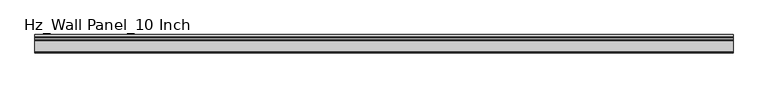
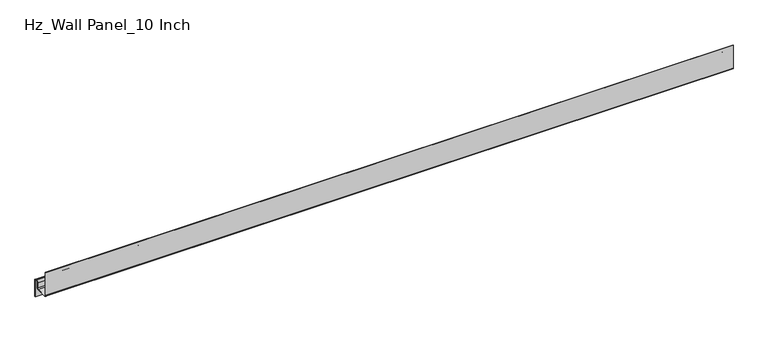
"""IFC4 building model written with IfcOpenShell, lengths in millimetres: plate geometry, Hz_Wall Panel_10 Inch."""

from ifc_helpers import new_model, si_unit, point, frame, frame_2d, origin, place, context, project, spatial, polyline, circle_curve, trimmed, segment, composite_curve, outline, extrude, source, transform, mapped, element, save


def hz_wall_panel_10_inch_99d810cd(model_context):
    return source(origin(), model_context, "Body", "SweptSolid", [
        extrude(outline(composite_curve([segment(trimmed(circle_curve(frame_2d((-34.7869903, 3.2130097)), 3.2130097), [point((-34.7869903, 0.0))], [point((-38.0, 3.2130097))], False, "CARTESIAN"), True, "CONTINUOUS"), segment(polyline([(-38.0, 3.2130097), (-38.0, 54.1506084), (-37.2194589, 54.1506084), (-37.2194589, 3.2130097)]), True, "CONTINUOUS"), segment(trimmed(circle_curve(frame_2d((-34.7869903, 3.2130097)), 2.4324686), [point((-37.2194589, 3.2130097))], [point((-34.7869903, 0.7805411))], True, "CARTESIAN"), True, "CONTINUOUS"), segment(polyline([(-34.7869903, 0.7805411), (-12.0917985, 0.7805411)]), True, "CONTINUOUS"), segment(trimmed(circle_curve(frame_2d((-12.0917985, 3.0977725)), 2.3172314), [point((-12.0917985, 0.7805411))], [point((-9.774567, 3.0977725))], True, "CARTESIAN"), True, "CONTINUOUS"), segment(polyline([(-9.774567, 3.0977725), (-9.774567, 14.3495019)]), True, "CONTINUOUS"), segment(trimmed(circle_curve(frame_2d((-5.8962534, 14.3495019)), 3.8783136), [point((-9.774567, 14.3495019))], [point((-5.8962534, 18.2278156))], False, "CARTESIAN"), True, "CONTINUOUS"), segment(polyline([(-5.8962534, 18.2278156), (-3.8033983, 18.2278156)]), True, "CONTINUOUS"), segment(trimmed(circle_curve(frame_2d((-3.8033983, 14.3495019)), 3.8783136), [point((-3.8033983, 18.2278156))], [point((0.0749154, 14.3495019))], False, "CARTESIAN"), True, "CONTINUOUS"), segment(polyline([(0.0749154, 14.3495019), (0.0749154, -21.9340882), (-0.7056258, -21.9340882), (-0.7056258, 14.3495019)]), True, "CONTINUOUS"), segment(trimmed(circle_curve(frame_2d((-3.8033983, 14.3495019)), 3.0977725), [point((-0.7056258, 14.3495019))], [point((-3.8033983, 17.4472744))], True, "CARTESIAN"), True, "CONTINUOUS"), segment(polyline([(-3.8033983, 17.4472744), (-5.8962534, 17.4472744)]), True, "CONTINUOUS"), segment(trimmed(circle_curve(frame_2d((-5.8962534, 14.3495019)), 3.0977725), [point((-5.8962534, 17.4472744))], [point((-8.9940259, 14.3495019))], True, "CARTESIAN"), True, "CONTINUOUS"), segment(polyline([(-8.9940259, 14.3495019), (-8.9940259, 3.0977725)]), True, "CONTINUOUS"), segment(trimmed(circle_curve(frame_2d((-12.0917985, 3.0977725)), 3.0977725), [point((-8.9940259, 3.0977725))], [point((-12.0917985, 0.0))], False, "CARTESIAN"), True, "CONTINUOUS"), segment(polyline([(-12.0917985, 0.0), (-34.7869903, 0.0)]), True, "CONTINUOUS")], self_intersect=False)), frame((-723.9042608, 0.0, 0.0), z_axis=(1.0, 0.0, 0.0), x_axis=(0.0, 1.0, 0.0)), (0.0, 0.0, 1.0), 1447.8085217),
    ])


if __name__ == "__main__":
    model = new_model("IFC4")
    model_context = context("Model", 3, world=origin())
    ifc_project = project(units=[si_unit("LENGTHUNIT", "METRE", prefix="MILLI")], contexts=[model_context])
    site = spatial("IfcSite", under=ifc_project)
    building = spatial("IfcBuilding", under=site)
    placement = place(None, origin())
    hz_wall_panel_10_inch_shape = hz_wall_panel_10_inch_99d810cd(model_context)
    element("IfcPlate", 1, ObjectType="Hz_Wall Panel_10 Inch", at=placement, inside=building, context=model_context, shape_type="MappedRepresentation", body=[
        mapped(hz_wall_panel_10_inch_shape, transform((0.0, 0.0, 0.0), x_axis=(1.0, 0.0, 0.0), y_axis=(0.0, 1.0, 0.0), z_axis=(0.0, 0.0, 1.0))),
    ])
    save(model, "model.ifc")
